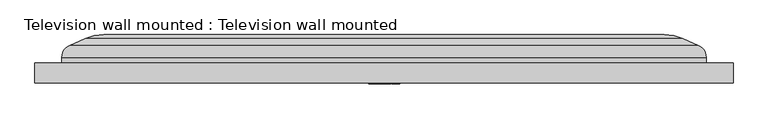
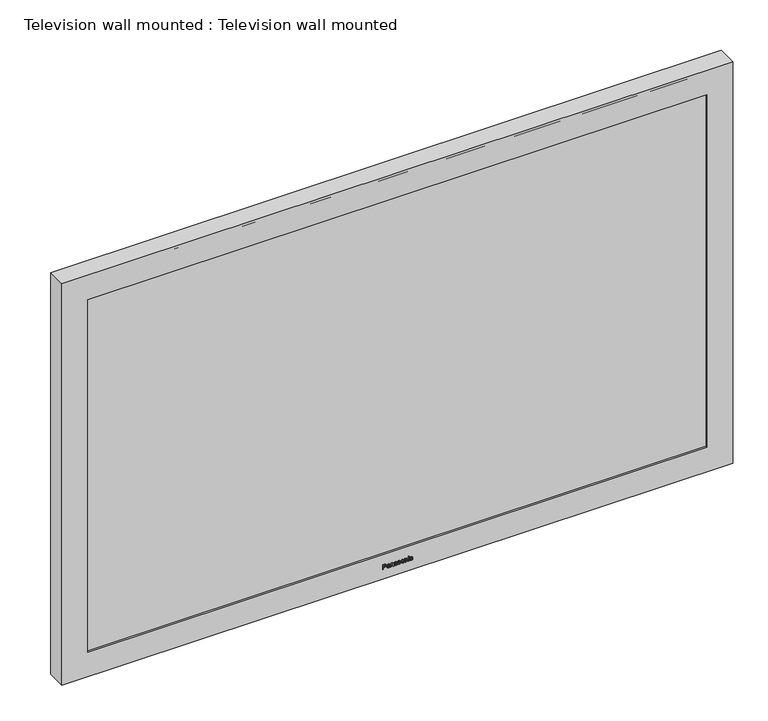
"""IFC4 building model written with IfcOpenShell, lengths in millimetres: furniture geometry, Television wall mounted : Television wall mounted."""

from ifc_helpers import new_model, si_unit, frame, origin, place, context, project, spatial, polyline, ellipse_curve, outline, extrude, faceted_brep, source, transform, mapped, element, save
from ifc_brep_helpers import plane_surface, cylinder_surface, advanced_brep


def television_wall_mounted_television_wall_mounted_145fd88f(model_context):
    return source(origin(), model_context, "Body", "SolidModel", [
        faceted_brep([(660.4, -294.6796875, 2094.2101562), (-660.4, -294.6796875, 2094.2101562), (-660.4, -294.6796875, 1258.5898437), (660.4, -294.6796875, 1258.5898437), (-609.6, -294.6796875, 1309.3898437), (-609.6, -294.6796875, 2043.4101562), (609.6, -294.6796875, 2043.4101562), (609.6, -294.6796875, 1309.3898437), (660.4, -256.5796875, 2094.2101562), (660.4, -256.5796875, 1258.5898437), (-660.4, -256.5796875, 1258.5898437), (-660.4, -256.5796875, 2094.2101562), (-609.6, -288.3296875, 1309.3898437), (-609.6, -288.3296875, 2043.4101562), (609.6, -288.3296875, 2043.4101562), (609.6, -288.3296875, 1309.3898437)], [[[0, 1, 2, 3], [4, 5, 6, 7]], [[8, 9, 10, 11]], [[1, 0, 8, 11]], [[2, 1, 11, 10]], [[3, 2, 10, 9]], [[0, 3, 9, 8]], [[5, 4, 12, 13]], [[6, 5, 13, 14]], [[7, 6, 14, 15]], [[4, 7, 15, 12]], [[13, 12, 15, 14]]]),
        extrude(outline(polyline([(1279.2273437, -29.3076923), (1279.2273437, -28.1353846), (1283.0373437, -28.1353846), (1283.0373437, -25.751845), (1283.8662019, -23.0282903), (1285.8925541, -22.2738462), (1287.1713311, -22.5531851), (1288.0780379, -23.2916016), (1288.5165084, -24.4307091), (1288.6058053, -25.8319832), (1288.6058053, -29.3076923), (1279.2273437, -29.3076923)]), holes=[polyline([(1284.2096514, -28.1353846), (1287.4334976, -28.1353846), (1287.4334976, -25.710631), (1287.3533594, -24.5383233), (1286.8221575, -23.7472446), (1285.8513401, -23.4461538), (1284.6401082, -23.9567488), (1284.2096514, -25.683155), (1284.2096514, -28.1353846)])]), frame((0.0, -296.2671875, 0.0), z_axis=(0.0, 1.0, 0.0), x_axis=(0.0, 0.0, 1.0)), (0.0, 0.0, 1.0), 1.5875),
        extrude(outline(polyline([(1280.1065745, -16.4123077), (1279.2273437, -16.1192308), (1279.2273437, -14.9469231), (1280.2130439, -15.1804687), (1282.2496995, -15.24), (1283.7082151, -15.24), (1284.7339844, -15.2972416), (1285.5296424, -15.6567187), (1286.0528305, -16.4592458), (1286.2611899, -17.879982), (1286.0253546, -19.4266496), (1285.3544832, -20.4478395), (1284.2096514, -20.955), (1284.063113, -19.7826923), (1284.8633504, -19.2171454), (1285.0888822, -18.0310998), (1284.750012, -16.7351502), (1283.6234976, -16.4191767), (1283.2205168, -18.4523978), (1283.0442127, -19.4667187), (1282.6595493, -20.2875631), (1281.9863882, -20.8771514), (1281.0590745, -21.1015385), (1279.6371935, -20.5073708), (1279.0808053, -18.805006), (1279.3120613, -17.5491256), (1280.1065745, -16.4123077)]), holes=[polyline([(1282.2851893, -16.4157422), (1281.212482, -16.6046394), (1280.5335968, -17.369387), (1280.253113, -18.5554327), (1281.9016707, -19.3121665), (1282.0917127, -18.3035697), (1282.2851893, -16.4157422)])]), frame((0.0, -296.2671875, 0.0), z_axis=(0.0, 1.0, 0.0), x_axis=(0.0, 0.0, 1.0)), (0.0, 0.0, 1.0), 1.5875),
        extrude(outline(polyline([(1279.2273437, -13.6280769), (1279.2273437, -12.4557692), (1282.8816466, -12.4557692), (1284.6286599, -11.9211328), (1285.0888822, -10.6492248), (1284.3355829, -9.3670132), (1283.2983654, -9.2319231), (1279.2273437, -9.2319231), (1279.2273437, -8.0596154), (1283.4563522, -8.0596154), (1284.5897356, -8.1214363), (1285.4517939, -8.4728996), (1286.0379477, -9.2284886), (1286.2611899, -10.3355409), (1285.1529928, -12.4557692), (1286.1146514, -12.4557692), (1286.1146514, -13.6280769), (1279.2273437, -13.6280769)])), frame((0.0, -296.2671875, 0.0), z_axis=(0.0, 1.0, 0.0), x_axis=(0.0, 0.0, 1.0)), (0.0, 0.0, 1.0), 1.5875),
        extrude(outline(polyline([(1280.1065745, -2.0515385), (1279.2273437, -1.7584615), (1279.2273437, -0.5861538), (1280.2130439, -0.8196995), (1282.2496995, -0.8792308), (1283.7082151, -0.8792308), (1284.7339844, -0.9364724), (1285.5296424, -1.2959495), (1286.0528305, -2.0984766), (1286.2611899, -3.5192127), (1286.0253546, -5.0658804), (1285.3544832, -6.0870703), (1284.2096514, -6.5942308), (1284.063113, -5.4219231), (1284.8633504, -4.8563762), (1285.0888822, -3.6703305), (1284.750012, -2.374381), (1283.6234976, -2.0584075), (1283.2205168, -4.0916286), (1283.0442127, -5.1059495), (1282.6595493, -5.9267939), (1281.9863882, -6.5163822), (1281.0590745, -6.7407692), (1279.6371935, -6.1466016), (1279.0808053, -4.4442368), (1279.3120613, -3.1883564), (1280.1065745, -2.0515385)]), holes=[polyline([(1282.2851893, -2.054973), (1281.212482, -2.2438702), (1280.5335968, -3.0086178), (1280.253113, -4.1946635), (1281.9016707, -4.9513972), (1282.0917127, -3.9428005), (1282.2851893, -2.054973)])]), frame((0.0, -296.2671875, 0.0), z_axis=(0.0, 1.0, 0.0), x_axis=(0.0, 0.0, 1.0)), (0.0, 0.0, 1.0), 1.5875),
        extrude(outline(polyline([(1281.2788822, 0.2930769), (1279.6349038, 1.190625), (1279.0808053, 3.2352945), (1279.3681581, 4.6869411), (1280.1821334, 5.6680619), (1281.3040685, 6.0080769), (1282.3229687, 5.7184345), (1282.9480469, 4.9193419), (1283.4998558, 3.1986599), (1284.8667849, 1.9485036), (1285.0888822, 3.0704387), (1284.8564814, 4.1019321), (1284.2096514, 4.5426923), (1284.3561899, 5.715), (1285.4082903, 5.3120192), (1286.0310787, 4.4053125), (1286.2611899, 2.9788522), (1286.1180859, 1.9702554), (1285.7712019, 1.22497), (1285.103765, 0.6502644), (1284.2302584, 0.4396154), (1283.2846274, 0.7017819), (1282.6149008, 1.4722536), (1282.0413401, 3.2375841), (1280.5301623, 4.4465264), (1280.253113, 3.2513221), (1280.5553486, 2.0080349), (1281.4254207, 1.4653846), (1281.2788822, 0.2930769)])), frame((0.0, -296.2671875, 0.0), z_axis=(0.0, 1.0, 0.0), x_axis=(0.0, 0.0, 1.0)), (0.0, 0.0, 1.0), 1.5875),
        extrude(outline(polyline([(1282.6709976, 7.0338462), (1280.0058293, 7.8844561), (1279.0808053, 10.1134435), (1279.5009585, 11.7013251), (1280.68128, 12.8083774), (1282.7671635, 13.1884615), (1285.3327314, 12.3286929), (1286.2611899, 10.1134435), (1285.498732, 8.0481671), (1282.6709976, 7.0338462)]), holes=[polyline([(1282.6732873, 8.2061538), (1284.4878456, 8.7488041), (1285.0888822, 10.1134435), (1284.4855559, 11.4700691), (1282.7099219, 12.0161538), (1280.8598738, 11.4735036), (1280.253113, 10.1134435), (1280.8564393, 8.7488041), (1282.6732873, 8.2061538)])]), frame((0.0, -296.2671875, 0.0), z_axis=(0.0, 1.0, 0.0), x_axis=(0.0, 0.0, 1.0)), (0.0, 0.0, 1.0), 1.5875),
        extrude(outline(polyline([(1279.2273437, 14.5073077), (1279.2273437, 15.6796154), (1282.8816466, 15.6796154), (1284.6286599, 16.2142518), (1285.0888822, 17.4861599), (1284.3355829, 18.7683714), (1283.2983654, 18.9034615), (1279.2273437, 18.9034615), (1279.2273437, 20.0757692), (1283.4563522, 20.0757692), (1284.5897356, 20.0139483), (1285.4517939, 19.662485), (1286.0379477, 18.906896), (1286.2611899, 17.7998438), (1285.1529928, 15.6796154), (1286.1146514, 15.6796154), (1286.1146514, 14.5073077), (1279.2273437, 14.5073077)])), frame((0.0, -296.2671875, 0.0), z_axis=(0.0, 1.0, 0.0), x_axis=(0.0, 0.0, 1.0)), (0.0, 0.0, 1.0), 1.5875),
        extrude(outline(polyline([(22.86, -296.2671875), (21.6876923, -296.2671875), (21.6876923, -294.6796875), (22.86, -294.6796875), (22.86, -296.2671875)])), frame((0.0, 0.0, 1287.4334976), z_axis=(0.0, 0.0, 1.0), x_axis=(1.0, 0.0, 0.0)), (0.0, 0.0, 1.0), 1.1723077),
        extrude(outline(polyline([(22.86, -296.2671875), (21.6876923, -296.2671875), (21.6876923, -294.6796875), (22.86, -294.6796875), (22.86, -296.2671875)])), frame((0.0, 0.0, 1279.2273437), z_axis=(0.0, 0.0, 1.0), x_axis=(1.0, 0.0, 0.0)), (0.0, 0.0, 1.0), 6.8873077),
        extrude(outline(polyline([(1281.7184976, 29.0146154), (1280.6125901, 28.452503), (1280.253113, 27.3477404), (1280.8289633, 26.0094321), (1282.6778666, 25.4976923), (1284.5095974, 26.0208804), (1285.0888822, 27.3797957), (1284.7946605, 28.3242819), (1283.9165745, 28.8680769), (1284.063113, 30.0403846), (1285.688774, 29.15314), (1286.2611899, 27.370637), (1285.8444712, 25.7758864), (1284.5931701, 24.6837169), (1282.6458113, 24.3253846), (1280.0023948, 25.1645463), (1279.0808053, 27.3866647), (1279.7413732, 29.2458714), (1281.5719591, 30.1869231), (1281.7184976, 29.0146154)])), frame((0.0, -296.2671875, 0.0), z_axis=(0.0, 1.0, 0.0), x_axis=(0.0, 0.0, 1.0)), (0.0, 0.0, 1.0), 1.5875),
        extrude(outline(polyline([(-609.6, -288.3296875), (609.6, -288.3296875), (609.6, -291.5046875), (-609.6, -291.5046875), (-609.6, -288.3296875)])), frame((0.0, 0.0, 1309.3898437), z_axis=(0.0, 0.0, 1.0), x_axis=(1.0, 0.0, 0.0)), (0.0, 0.0, 1.0), 734.0203125),
        advanced_brep(
        [(529.7240013, -203.2, 1963.5341576), (529.7240013, -203.2, 1389.2658424), (-529.7240013, -203.2, 1389.2658424), (-529.7240013, -203.2, 1963.5341576), (609.6, -256.5796875, 1309.3898437), (609.6, -256.5796875, 2043.4101562), (-609.6, -256.5796875, 2043.4101562), (-609.6, -256.5796875, 1309.3898437), (594.3277789, -223.2496419, 2028.1379351), (609.6, -246.5431623, 2043.4101562), (609.6, -246.5431623, 1309.3898437), (594.3277789, -223.2496419, 1324.6620649), (565.1712275, -210.5726785, 1353.8186163), (565.1712275, -210.5726785, 1998.9813837), (-609.6, -246.5431623, 1309.3898437), (-594.3277789, -223.2496419, 1324.6620649), (-565.1712275, -210.5726785, 1353.8186163), (-609.6, -246.5431623, 2043.4101562), (-594.3277789, -223.2496419, 2028.1379351), (-565.1712275, -210.5726785, 1998.9813837)],
        [
            (0, 1),
            (1, 2),
            (2, 3),
            (3, 0),
            (4, 5),
            (5, 6),
            (6, 7),
            (7, 4),
            (8, 9, ellipse_curve(frame((584.2, -246.5431623, 2018.0101562), z_axis=(0.7071067811865474, 0.0, -0.7071067811865476), x_axis=(0.7071067811865475, 0.0, 0.7071067811865475)), 35.9210245, 25.4)),
            (9, 10),
            (10, 11, ellipse_curve(frame((584.2, -246.5431623, 1334.7898437), z_axis=(0.7071067811865476, 0.0, 0.7071067811865474), x_axis=(-0.7071067811865471, 0.0, 0.7071067811865478)), 35.9210245, 25.4)),
            (11, 8),
            (11, 12),
            (12, 13),
            (13, 8),
            (12, 1, ellipse_curve(frame((529.7240013, -292.1, 1389.2658424), z_axis=(0.7071067811865476, 0.0, 0.7071067811865474), x_axis=(-0.7071067811865471, 0.0, 0.7071067811865478)), 125.7235857, 88.9)),
            (0, 13, ellipse_curve(frame((529.7240013, -292.1, 1963.5341576), z_axis=(0.7071067811865474, 0.0, -0.7071067811865476), x_axis=(0.7071067811865475, 0.0, 0.7071067811865475)), 125.7235857, 88.9)),
            (9, 5),
            (4, 10),
            (10, 14),
            (14, 15, ellipse_curve(frame((-584.2, -246.5431623, 1334.7898437), z_axis=(0.7071067811865474, 0.0, -0.7071067811865476), x_axis=(0.7071067811865478, 0.0, 0.7071067811865472)), 35.9210245, 25.4)),
            (15, 11),
            (15, 16),
            (16, 12),
            (16, 2, ellipse_curve(frame((-529.7240013, -292.1, 1389.2658424), z_axis=(0.7071067811865474, 0.0, -0.7071067811865476), x_axis=(0.7071067811865478, 0.0, 0.7071067811865472)), 125.7235857, 88.9)),
            (7, 14),
            (14, 17),
            (17, 18, ellipse_curve(frame((-584.2, -246.5431623, 2018.0101562), z_axis=(-0.7071067811865476, 0.0, -0.7071067811865474), x_axis=(0.7071067811865472, 0.0, -0.7071067811865478)), 35.9210245, 25.4)),
            (18, 15),
            (18, 19),
            (19, 16),
            (19, 3, ellipse_curve(frame((-529.7240013, -292.1, 1963.5341576), z_axis=(-0.7071067811865476, 0.0, -0.7071067811865474), x_axis=(0.7071067811865472, 0.0, -0.7071067811865478)), 125.7235857, 88.9)),
            (6, 17),
            (8, 18),
            (17, 9),
            (13, 19),
        ],
        [
            plane_surface(frame((-524.9286743, -203.2, 1958.7388305), z_axis=(0.0, 1.0, 0.0), x_axis=(1.0, 0.0, 0.0))),
            plane_surface(frame((-524.9286743, -256.5796875, 1958.7388305), z_axis=(0.0, -1.0, 0.0), x_axis=(-1.0, 0.0, 0.0))),
            cylinder_surface(frame((584.2, -246.5431623, 2043.4101562), z_axis=(0.0, 0.0, 1.0), x_axis=(1.0, 0.0, 0.0)), 25.4),
            plane_surface(frame((594.3277789, -223.2496419, 2028.1379351), z_axis=(0.3987314526476311, 0.9170677339594443, 0.0), x_axis=(0.0, 0.0, -1.0))),
            cylinder_surface(frame((529.7240013, -292.1, 2043.4101562), z_axis=(0.0, 0.0, 1.0), x_axis=(1.0, 0.0, 0.0)), 88.9),
            plane_surface(frame((609.6, -256.5796875, 2043.4101562), z_axis=(1.0, 0.0, 0.0), x_axis=(0.0, 0.0, -1.0))),
            cylinder_surface(frame((609.6, -246.5431623, 1334.7898437), z_axis=(1.0, 0.0, 0.0), x_axis=(0.0, 0.0, -1.0)), 25.4),
            plane_surface(frame((594.3277789, -223.2496419, 1324.6620649), z_axis=(0.0, 0.9170677339594443, -0.39873145264763116), x_axis=(-1.0, 0.0, 0.0))),
            cylinder_surface(frame((609.6, -292.1, 1389.2658424), z_axis=(1.0, 0.0, 0.0), x_axis=(0.0, 0.0, -1.0)), 88.9),
            plane_surface(frame((609.6, -256.5796875, 1309.3898437), z_axis=(0.0, 0.0, -1.0), x_axis=(-1.0, 0.0, 0.0))),
            cylinder_surface(frame((-584.2, -246.5431623, 1309.3898437), z_axis=(0.0, 0.0, -1.0), x_axis=(-1.0, 0.0, 0.0)), 25.4),
            plane_surface(frame((-594.3277789, -223.2496419, 1324.6620649), z_axis=(-0.39873145264763116, 0.9170677339594443, 0.0), x_axis=(0.0, 0.0, 1.0))),
            cylinder_surface(frame((-529.7240013, -292.1, 1309.3898437), z_axis=(0.0, 0.0, -1.0), x_axis=(-1.0, 0.0, 0.0)), 88.9),
            plane_surface(frame((-609.6, -256.5796875, 1309.3898437), z_axis=(-1.0, 0.0, 0.0), x_axis=(0.0, 0.0, 1.0))),
            cylinder_surface(frame((-609.6, -246.5431623, 2018.0101562), z_axis=(-1.0, 0.0, 0.0), x_axis=(0.0, 0.0, 1.0)), 25.4),
            plane_surface(frame((-594.3277789, -223.2496419, 2028.1379351), z_axis=(0.0, 0.9170677339594443, 0.3987314526476311), x_axis=(1.0, 0.0, 0.0))),
            cylinder_surface(frame((-609.6, -292.1, 1963.5341576), z_axis=(-1.0, 0.0, 0.0), x_axis=(0.0, 0.0, 1.0)), 88.9),
            plane_surface(frame((-609.6, -256.5796875, 2043.4101562), z_axis=(0.0, 0.0, 1.0), x_axis=(1.0, 0.0, 0.0))),
        ],
        [
            (0, [[1, 2, 3, 4]]),
            (1, [[5, 6, 7, 8]]),
            (2, [[9, 10, 11, 12]]),
            (3, [[-12, 13, 14, 15]]),
            (4, [[-14, 16, -1, 17]]),
            (5, [[-10, 18, -5, 19]]),
            (6, [[-11, 20, 21, 22]]),
            (7, [[-13, -22, 23, 24]]),
            (8, [[-16, -24, 25, -2]]),
            (9, [[-19, -8, 26, -20]]),
            (10, [[-21, 27, 28, 29]]),
            (11, [[-23, -29, 30, 31]]),
            (12, [[-25, -31, 32, -3]]),
            (13, [[-26, -7, 33, -27]]),
            (14, [[-9, 34, -28, 35]]),
            (15, [[-15, 36, -30, -34]]),
            (16, [[-17, -4, -32, -36]]),
            (17, [[-18, -35, -33, -6]]),
        ],
    ),
    ])


if __name__ == "__main__":
    model = new_model("IFC4")
    model_context = context("Model", 3, world=origin())
    ifc_project = project(units=[si_unit("LENGTHUNIT", "METRE", prefix="MILLI")], contexts=[model_context])
    site = spatial("IfcSite", under=ifc_project)
    building = spatial("IfcBuilding", under=site)
    placement = place(None, origin())
    television_wall_mounted_television_wall_mounted_shape = television_wall_mounted_television_wall_mounted_145fd88f(model_context)
    element("IfcFurniture", 1, ObjectType="Television wall mounted : Television wall mounted", at=placement, inside=building, context=model_context, shape_type="MappedRepresentation", body=[
        mapped(television_wall_mounted_television_wall_mounted_shape, transform((0.0, 0.0, 0.0), x_axis=(1.0, 0.0, 0.0), y_axis=(0.0, 1.0, 0.0), z_axis=(0.0, 0.0, 1.0))),
    ])
    save(model, "model.ifc")
